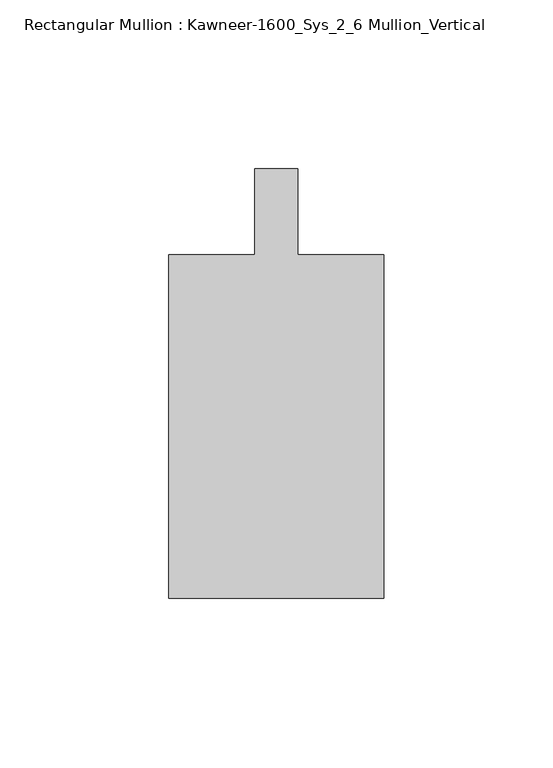
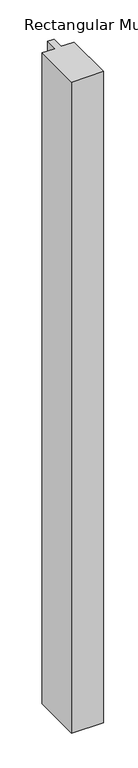
"""IFC4 building model written with IfcOpenShell, lengths in millimetres: member geometry, Rectangular Mullion : Kawneer-1600_Sys_2_6 Mullion_Vertical."""

from ifc_helpers import new_model, si_unit, frame, origin, place, context, project, spatial, polyline, outline, extrude, source, transform, mapped, element, save


def rectangular_mullion_kawneer_1600_sys_2_6_mullion_vertical_8a9db37e(model_context):
    return source(origin(), model_context, "Body", "SweptSolid", [
        extrude(outline(polyline([(36.0844027, -114.3), (-27.4155973, -114.3), (-27.4155973, -12.7), (-2.0155973, -12.7), (-2.0155973, 12.7), (10.6844027, 12.7), (10.6844027, -12.7), (36.0844027, -12.7), (36.0844027, -114.3)])), frame((0.0, 0.0, -1372.1244027), z_axis=(0.0, 0.0, 1.0), x_axis=(1.0, 0.0, 0.0)), (0.0, 0.0, 1.0), 1372.1244027),
    ])


if __name__ == "__main__":
    model = new_model("IFC4")
    model_context = context("Model", 3, world=origin())
    ifc_project = project(units=[si_unit("LENGTHUNIT", "METRE", prefix="MILLI")], contexts=[model_context])
    site = spatial("IfcSite", under=ifc_project)
    building = spatial("IfcBuilding", under=site)
    placement = place(None, origin())
    rectangular_mullion_kawneer_1600_sys_2_6_mullion_vertical_shape = rectangular_mullion_kawneer_1600_sys_2_6_mullion_vertical_8a9db37e(model_context)
    element("IfcMember", 1, ObjectType="Rectangular Mullion : Kawneer-1600_Sys_2_6 Mullion_Vertical", at=placement, inside=building, context=model_context, shape_type="MappedRepresentation", body=[
        mapped(rectangular_mullion_kawneer_1600_sys_2_6_mullion_vertical_shape, transform((0.0, 0.0, 0.0), x_axis=(1.0, 0.0, 0.0), y_axis=(0.0, 1.0, 0.0), z_axis=(0.0, 0.0, 1.0))),
    ])
    save(model, "model.ifc")
